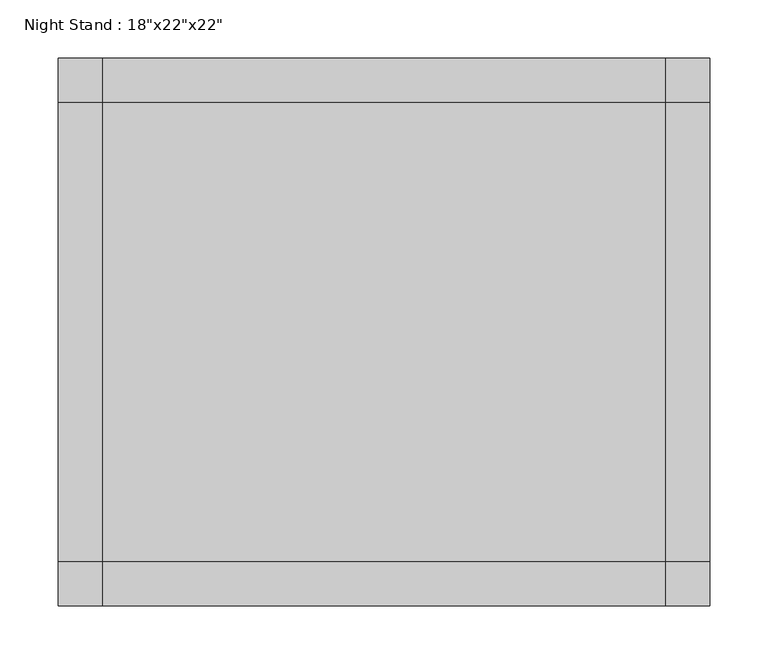
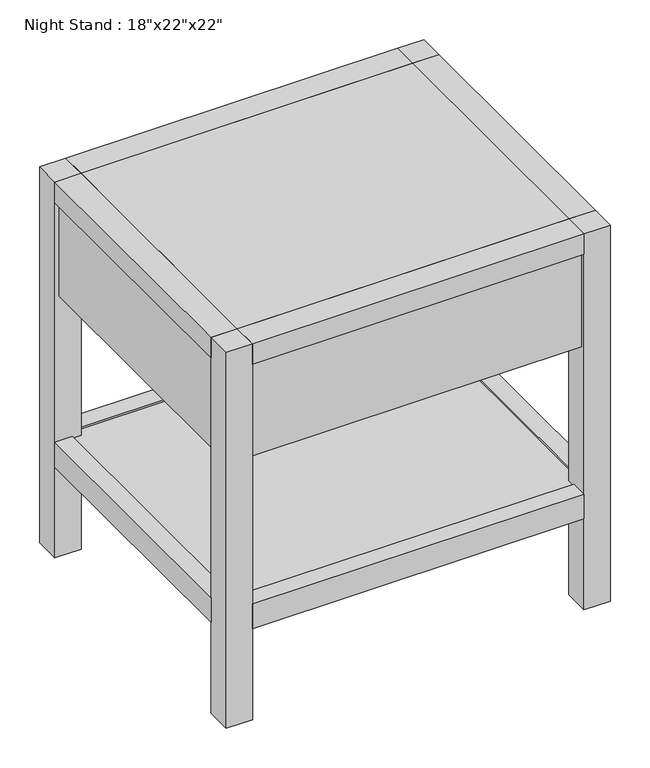
"""IFC4 building model written with IfcOpenShell, lengths in millimetres: furniture geometry."""

from ifc_helpers import new_model, si_unit, frame, origin, origin_with_axes, place, context, project, spatial, polyline, outline, extrude, source, transform, mapped, element, save


def furniture_ec43ae23(model_context):
    return source(origin(), model_context, "Body", "SweptSolid", [
        extrude(outline(polyline([(241.3, -196.85), (-241.3, -196.85), (-241.3, 196.85), (241.3, 196.85), (241.3, -196.85)])), frame((0.0, 0.0, 574.675), z_axis=(0.0, 0.0, 1.0), x_axis=(1.0, 0.0, 0.0)), (0.0, 0.0, 1.0), 3.175),
        extrude(outline(polyline([(241.3, -228.6), (-241.3, -228.6), (-241.3, -215.9), (241.3, -215.9), (241.3, -228.6)])), frame((0.0, 0.0, 400.05), z_axis=(0.0, 0.0, 1.0), x_axis=(1.0, 0.0, 0.0)), (0.0, 0.0, 1.0), 146.05),
        extrude(outline(polyline([(241.3, 215.9), (-241.3, 215.9), (-241.3, 234.95), (241.3, 234.95), (241.3, 215.9)])), frame((0.0, 0.0, 400.05), z_axis=(0.0, 0.0, 1.0), x_axis=(1.0, 0.0, 0.0)), (0.0, 0.0, 1.0), 146.05),
        extrude(outline(polyline([(-260.35, -196.85), (-273.05, -196.85), (-273.05, 196.85), (-260.35, 196.85), (-260.35, -196.85)])), frame((0.0, 0.0, 400.05), z_axis=(0.0, 0.0, 1.0), x_axis=(1.0, 0.0, 0.0)), (0.0, 0.0, 1.0), 146.05),
        extrude(outline(polyline([(273.05, -196.85), (260.35, -196.85), (260.35, 196.85), (273.05, 196.85), (273.05, -196.85)])), frame((0.0, 0.0, 400.05), z_axis=(0.0, 0.0, 1.0), x_axis=(1.0, 0.0, 0.0)), (0.0, 0.0, 1.0), 146.05),
        extrude(outline(polyline([(-241.3, -196.85), (-279.4, -196.85), (-279.4, 196.85), (-241.3, 196.85), (-241.3, -196.85)])), frame((0.0, 0.0, 546.1), z_axis=(0.0, 0.0, 1.0), x_axis=(1.0, 0.0, 0.0)), (0.0, 0.0, 1.0), 31.75),
        extrude(outline(polyline([(241.3, -196.85), (241.3, 196.85), (279.4, 196.85), (279.4, -196.85), (241.3, -196.85)])), frame((0.0, 0.0, 546.1), z_axis=(0.0, 0.0, 1.0), x_axis=(1.0, 0.0, 0.0)), (0.0, 0.0, 1.0), 31.75),
        extrude(outline(polyline([(241.3, -234.95), (-241.3, -234.95), (-241.3, -196.85), (241.3, -196.85), (241.3, -234.95)])), frame((0.0, 0.0, 546.1), z_axis=(0.0, 0.0, 1.0), x_axis=(1.0, 0.0, 0.0)), (0.0, 0.0, 1.0), 31.75),
        extrude(outline(polyline([(241.3, 196.85), (-241.3, 196.85), (-241.3, 234.95), (241.3, 234.95), (241.3, 196.85)])), frame((0.0, 0.0, 546.1), z_axis=(0.0, 0.0, 1.0), x_axis=(1.0, 0.0, 0.0)), (0.0, 0.0, 1.0), 31.75),
        extrude(outline(polyline([(254.0, -209.55), (-254.0, -209.55), (-254.0, 209.55), (254.0, 209.55), (254.0, -209.55)])), frame((0.0, 0.0, 155.575), z_axis=(0.0, 0.0, 1.0), x_axis=(1.0, 0.0, 0.0)), (0.0, 0.0, 1.0), 19.05),
        extrude(outline(polyline([(241.3, -234.95), (-241.3, -234.95), (-241.3, -209.55), (241.3, -209.55), (241.3, -234.95)])), frame((0.0, 0.0, 139.7), z_axis=(0.0, 0.0, 1.0), x_axis=(1.0, 0.0, 0.0)), (0.0, 0.0, 1.0), 38.1),
        extrude(outline(polyline([(241.3, 234.95), (241.3, 209.55), (-241.3, 209.55), (-241.3, 234.95), (241.3, 234.95)])), frame((0.0, 0.0, 139.7), z_axis=(0.0, 0.0, 1.0), x_axis=(1.0, 0.0, 0.0)), (0.0, 0.0, 1.0), 38.1),
        extrude(outline(polyline([(279.4, -196.85), (254.0, -196.85), (254.0, 196.85), (279.4, 196.85), (279.4, -196.85)])), frame((0.0, 0.0, 139.7), z_axis=(0.0, 0.0, 1.0), x_axis=(1.0, 0.0, 0.0)), (0.0, 0.0, 1.0), 38.1),
        extrude(outline(polyline([(-279.4, -196.85), (-279.4, 196.85), (-254.0, 196.85), (-254.0, -196.85), (-279.4, -196.85)])), frame((0.0, 0.0, 139.7), z_axis=(0.0, 0.0, 1.0), x_axis=(1.0, 0.0, 0.0)), (0.0, 0.0, 1.0), 38.1),
        extrude(outline(polyline([(-241.3, -234.95), (-279.4, -234.95), (-279.4, -196.85), (-241.3, -196.85), (-241.3, -234.95)])), origin_with_axes(), (0.0, 0.0, 1.0), 577.85),
        extrude(outline(polyline([(279.4, -234.95), (241.3, -234.95), (241.3, -196.85), (279.4, -196.85), (279.4, -234.95)])), origin_with_axes(), (0.0, 0.0, 1.0), 577.85),
        extrude(outline(polyline([(-241.3, 196.85), (-279.4, 196.85), (-279.4, 234.95), (-241.3, 234.95), (-241.3, 196.85)])), origin_with_axes(), (0.0, 0.0, 1.0), 577.85),
        extrude(outline(polyline([(279.4, 234.95), (279.4, 196.85), (241.3, 196.85), (241.3, 234.95), (279.4, 234.95)])), origin_with_axes(), (0.0, 0.0, 1.0), 577.85),
    ])


if __name__ == "__main__":
    model = new_model("IFC4")
    model_context = context("Model", 3, world=origin())
    ifc_project = project(units=[si_unit("LENGTHUNIT", "METRE", prefix="MILLI")], contexts=[model_context])
    site = spatial("IfcSite", under=ifc_project)
    building = spatial("IfcBuilding", under=site)
    placement = place(None, origin())
    furniture_shape = furniture_ec43ae23(model_context)
    element("IfcFurniture", 1, ObjectType="Night Stand : 18\"x22\"x22\"", at=placement, inside=building, context=model_context, shape_type="MappedRepresentation", body=[
        mapped(furniture_shape, transform((0.0, 0.0, 0.0), x_axis=(1.0, 0.0, 0.0), y_axis=(0.0, 1.0, 0.0), z_axis=(0.0, 0.0, 1.0))),
    ])
    save(model, "model.ifc")
